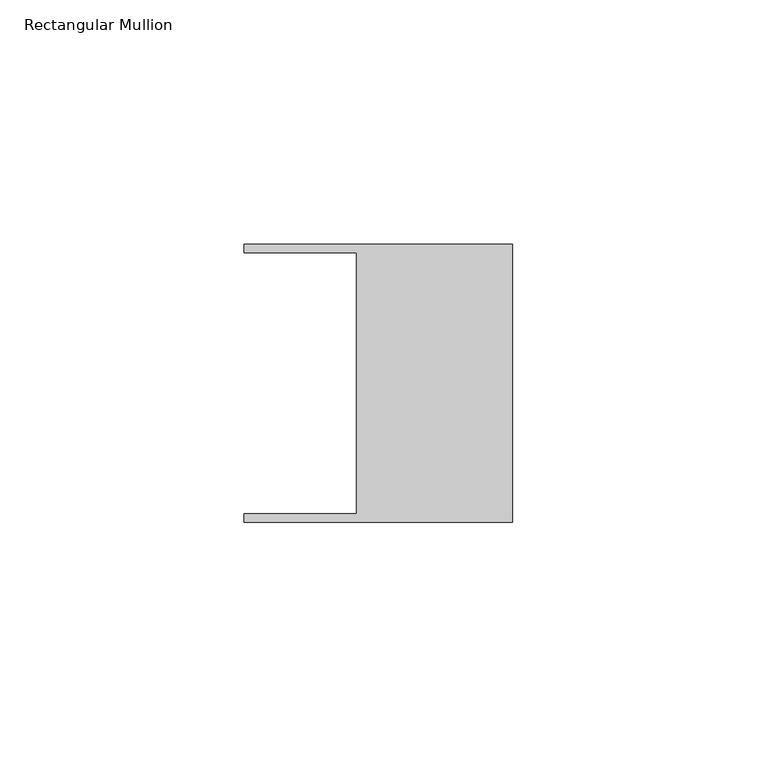
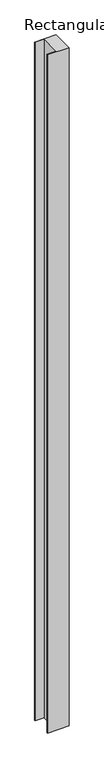
"""IFC4 building model written with IfcOpenShell, lengths in millimetres: member geometry, Rectangular Mullion."""

from ifc_helpers import new_model, si_unit, frame, origin, place, context, project, spatial, polyline, outline, extrude, source, transform, mapped, element, save


def rectangular_mullion_550d0bf5(model_context):
    return source(origin(), model_context, "Body", "SweptSolid", [
        extrude(outline(polyline([(-32.004, -26.67), (-32.004, 26.67), (-54.991, 26.67), (-54.991, 28.448), (0.0, 28.448), (0.0, -28.448), (-54.991, -28.448), (-54.991, -26.67), (-32.004, -26.67)])), frame((0.0, 0.0, -1828.8), z_axis=(0.0, 0.0, 1.0), x_axis=(1.0, 0.0, 0.0)), (0.0, 0.0, 1.0), 1828.8),
    ])


if __name__ == "__main__":
    model = new_model("IFC4")
    model_context = context("Model", 3, world=origin())
    ifc_project = project(units=[si_unit("LENGTHUNIT", "METRE", prefix="MILLI")], contexts=[model_context])
    site = spatial("IfcSite", under=ifc_project)
    building = spatial("IfcBuilding", under=site)
    placement = place(None, origin())
    rectangular_mullion_shape = rectangular_mullion_550d0bf5(model_context)
    element("IfcMember", 1, ObjectType="Rectangular Mullion", at=placement, inside=building, context=model_context, shape_type="MappedRepresentation", body=[
        mapped(rectangular_mullion_shape, transform((0.0, 0.0, 0.0), x_axis=(1.0, 0.0, 0.0), y_axis=(0.0, 1.0, 0.0), z_axis=(0.0, 0.0, 1.0))),
    ])
    save(model, "model.ifc")
